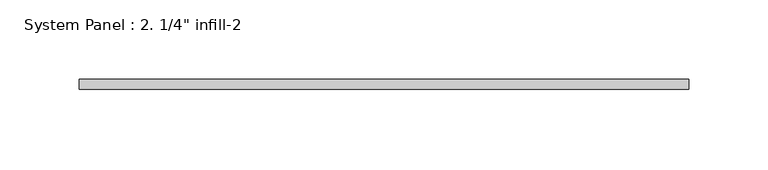
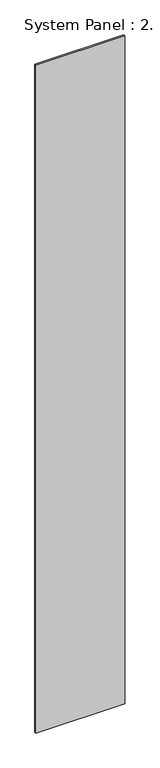
"""IFC4 building model written with IfcOpenShell, lengths in millimetres: plate geometry."""

from ifc_helpers import new_model, si_unit, origin, origin_with_axes, place, context, project, spatial, polyline, outline, extrude, source, transform, mapped, element, save


def plate_7770538f(model_context):
    return source(origin(), model_context, "Body", "SweptSolid", [
        extrude(outline(polyline([(192.0810755, -6.35), (-192.0810755, -6.35), (-192.0810755, 0.0), (192.0810755, 0.0), (192.0810755, -6.35)])), origin_with_axes(), (0.0, 0.0, 1.0), 3048.0),
    ])


if __name__ == "__main__":
    model = new_model("IFC4")
    model_context = context("Model", 3, world=origin())
    ifc_project = project(units=[si_unit("LENGTHUNIT", "METRE", prefix="MILLI")], contexts=[model_context])
    site = spatial("IfcSite", under=ifc_project)
    building = spatial("IfcBuilding", under=site)
    placement = place(None, origin())
    plate_shape = plate_7770538f(model_context)
    element("IfcPlate", 1, ObjectType="System Panel : 2. 1/4\" infill-2", at=placement, inside=building, context=model_context, shape_type="MappedRepresentation", body=[
        mapped(plate_shape, transform((0.0, 0.0, 0.0), x_axis=(1.0, 0.0, 0.0), y_axis=(0.0, 1.0, 0.0), z_axis=(0.0, 0.0, 1.0))),
    ])
    save(model, "model.ifc")
